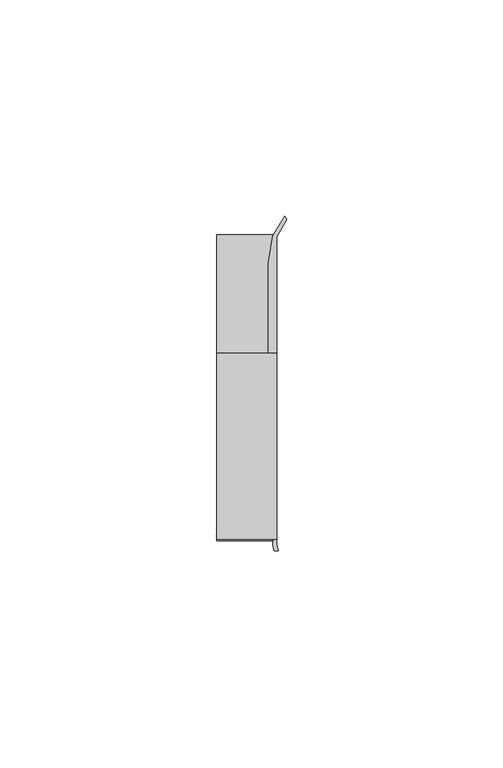
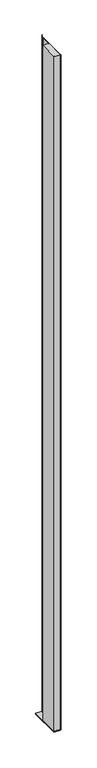
"""IFC4 building model written with IfcOpenShell, lengths in millimetres: furniture geometry."""

from ifc_helpers import new_model, si_unit, point, frame, frame_2d, origin, place, context, project, spatial, polyline, circle_curve, trimmed, segment, composite_curve, outline, extrude, source, transform, mapped, element, save


def furniture_d43293e4(model_context):
    return source(origin(), model_context, "Body", "SweptSolid", [
        extrude(outline(polyline([(31.9660873, 18.9594777), (31.9660873, -24.0995273), (18.0754623, -24.0995273), (18.0754623, 18.9594777), (31.9660873, 18.9594777)])), frame((0.0, 0.0, 513.3669224), z_axis=(0.0, 0.0, 1.0), x_axis=(1.0, 0.0, 0.0)), (0.0, 0.0, 1.0), 1588.6507176),
        extrude(outline(polyline([(18.0754623, -24.0995273), (18.0754623, 46.6824219), (31.9660873, 46.6824219), (31.9660873, -24.0995273), (18.0754623, -24.0995273)])), frame((0.0, 0.0, 510.83464), z_axis=(0.0, 0.0, 1.0), x_axis=(1.0, 0.0, 0.0)), (0.0, 0.0, 1.0), 2.5322824),
        extrude(outline(composite_curve([segment(polyline([(33.8779838, 50.6802202), (34.2963358, 49.8958113), (31.9660873, 45.8886719), (31.9660873, -25.0252959)]), True, "CONTINUOUS"), segment(trimmed(circle_curve(frame_2d((36.5370848, -24.9306779)), 4.5719767), [point((31.9660873, -25.0252959))], [point((32.3362111, -26.7350146))], True, "CARTESIAN"), True, "CONTINUOUS"), segment(polyline([(32.3362111, -26.7350146), (31.3598061, -26.7312177)]), True, "CONTINUOUS"), segment(trimmed(circle_curve(frame_2d((38.1067431, -24.7767162)), 7.0243316), [point((31.3598061, -26.7312177))], [point((31.0897622, -25.0979846))], False, "CARTESIAN"), True, "CONTINUOUS"), segment(polyline([(31.0897622, -25.0979846), (31.204088, -24.0995273), (18.7580885, -24.0995273), (17.9586029, -23.2998418), (31.2224462, -23.2998418), (31.2224462, 18.9594777), (29.9783377, 18.9594777), (29.9783377, 39.6814262), (31.1100649, 46.0995711), (33.8779838, 50.6802202)]), True, "CONTINUOUS")], self_intersect=False)), frame((0.0, 0.0, 513.3669224), z_axis=(0.0, 0.0, 1.0), x_axis=(1.0, 0.0, 0.0)), (0.0, 0.0, 1.0), 1588.6507176),
    ])


if __name__ == "__main__":
    model = new_model("IFC4")
    model_context = context("Model", 3, world=origin())
    ifc_project = project(units=[si_unit("LENGTHUNIT", "METRE", prefix="MILLI")], contexts=[model_context])
    site = spatial("IfcSite", under=ifc_project)
    building = spatial("IfcBuilding", under=site)
    placement = place(None, origin())
    furniture_shape = furniture_d43293e4(model_context)
    element("IfcFurniture", 1, at=placement, inside=building, context=model_context, shape_type="MappedRepresentation", body=[
        mapped(furniture_shape, transform((0.0, 0.0, 0.0), x_axis=(1.0, 0.0, 0.0), y_axis=(0.0, 1.0, 0.0), z_axis=(0.0, 0.0, 1.0))),
    ])
    save(model, "model.ifc")
